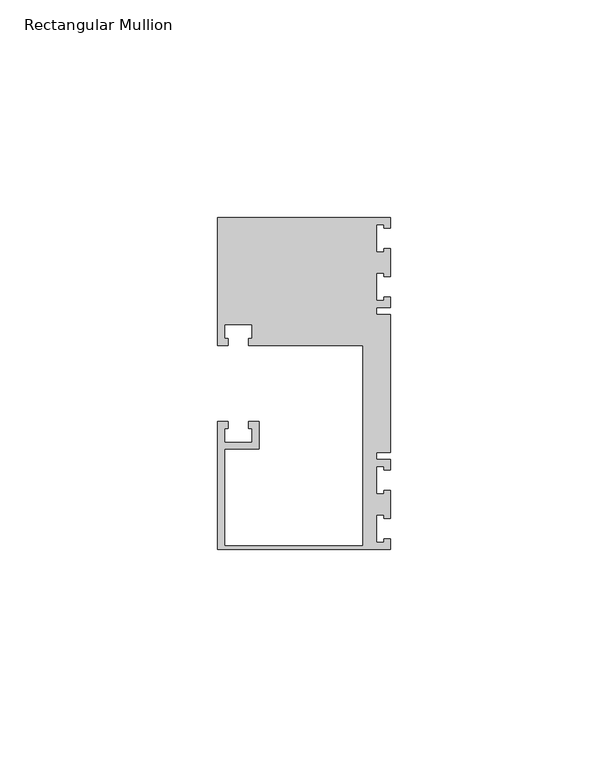
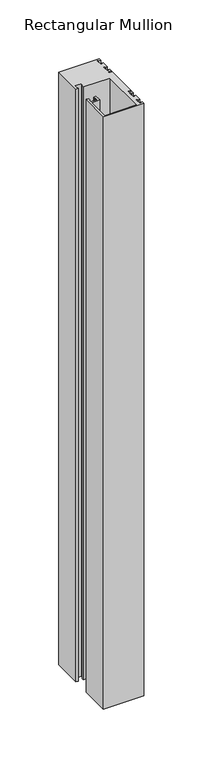
"""IFC4 building model written with IfcOpenShell, lengths in millimetres: member geometry, Rectangular Mullion."""

from ifc_helpers import new_model, si_unit, frame, origin, place, context, project, spatial, polyline, outline, extrude, source, transform, mapped, element, save


def rectangular_mullion_9b6f205e(model_context):
    return source(origin(), model_context, "Body", "SweptSolid", [
        extrude(outline(polyline([(0.0, -38.1), (-39.6875, -38.1), (-39.6875, -8.73125), (-37.30625, -8.73125), (-37.30625, -10.31875), (-38.1, -10.31875), (-38.1, -13.49375), (-31.75, -13.49375), (-31.75, -10.31875), (-32.54375, -10.31875), (-32.54375, -8.73125), (-30.1625, -8.73125), (-30.1625, -15.08125), (-38.1, -15.08125), (-38.1, -37.30625), (-6.35, -37.30625), (-6.35, 8.73125), (-32.54375, 8.73125), (-32.54375, 10.31875), (-31.75, 10.31875), (-31.75, 13.49375), (-38.1, 13.49375), (-38.1, 10.31875), (-37.30625, 10.31875), (-37.30625, 8.73125), (-39.6875, 8.73125), (-39.6875, 38.1), (0.0, 38.1), (0.0, 35.71875), (-1.4999946, 35.71875), (-1.4999946, 36.5125), (-3.175, 36.5125), (-3.175, 30.1625), (-1.4999946, 30.1625), (-1.4999946, 30.95625), (0.0, 30.95625), (0.0, 24.60625), (-1.4999946, 24.60625), (-1.4999946, 25.4), (-3.175, 25.4), (-3.175, 19.05), (-1.4999946, 19.05), (-1.4999946, 19.84375), (0.0, 19.84375), (0.0, 17.4625), (-3.175, 17.4625), (-3.175, 15.875), (0.0, 15.875), (0.0, -15.875), (-3.175, -15.875), (-3.175, -17.4625), (0.0, -17.4625), (0.0, -19.84375), (-1.4999946, -19.84375), (-1.4999946, -19.05), (-3.175, -19.05), (-3.175, -25.4), (-1.4999946, -25.4), (-1.4999946, -24.60625), (0.0, -24.60625), (0.0, -30.95625), (-1.4999946, -30.95625), (-1.4999946, -30.1625), (-3.175, -30.1625), (-3.175, -36.5125), (-1.4999946, -36.5125), (-1.4999946, -35.71875), (0.0, -35.71875), (0.0, -38.1)])), frame((0.0, 0.0, -615.95), z_axis=(0.0, 0.0, 1.0), x_axis=(1.0, 0.0, 0.0)), (0.0, 0.0, 1.0), 615.95),
    ])


if __name__ == "__main__":
    model = new_model("IFC4")
    model_context = context("Model", 3, world=origin())
    ifc_project = project(units=[si_unit("LENGTHUNIT", "METRE", prefix="MILLI")], contexts=[model_context])
    site = spatial("IfcSite", under=ifc_project)
    building = spatial("IfcBuilding", under=site)
    placement = place(None, origin())
    rectangular_mullion_shape = rectangular_mullion_9b6f205e(model_context)
    element("IfcMember", 1, ObjectType="Rectangular Mullion", at=placement, inside=building, context=model_context, shape_type="MappedRepresentation", body=[
        mapped(rectangular_mullion_shape, transform((0.0, 0.0, 0.0), x_axis=(1.0, 0.0, 0.0), y_axis=(0.0, 1.0, 0.0), z_axis=(0.0, 0.0, 1.0))),
    ])
    save(model, "model.ifc")
